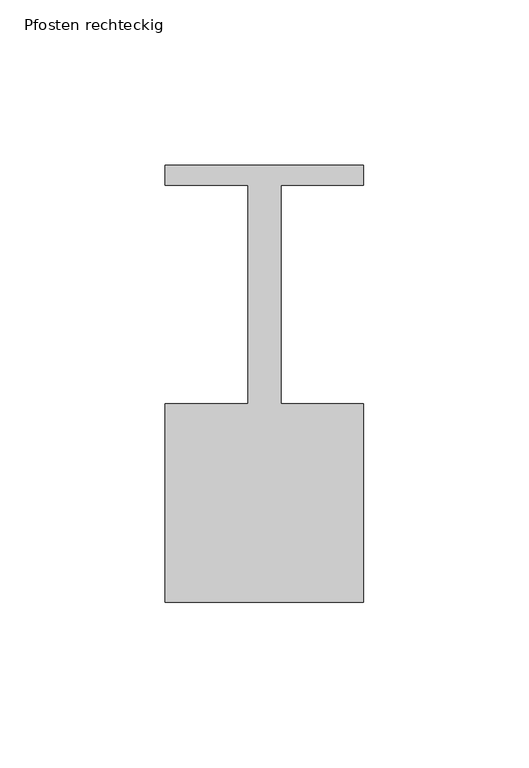
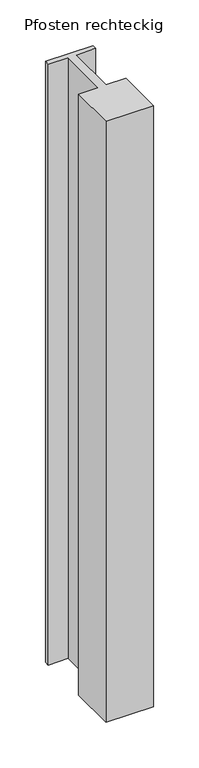
"""IFC4 building model written with IfcOpenShell, lengths in millimetres: member geometry, Pfosten rechteckig."""

from ifc_helpers import new_model, si_unit, frame, origin, place, context, project, spatial, polyline, outline, extrude, source, transform, mapped, element, save


def pfosten_rechteckig_d5c8cb07(model_context):
    return source(origin(), model_context, "Body", "SweptSolid", [
        extrude(outline(polyline([(30.0, 6.0), (30.0, 0.0), (5.0, 0.0), (5.0, -66.0), (30.0, -66.0), (30.0, -126.0), (-30.0, -126.0), (-30.0, -66.0), (-5.0, -66.0), (-5.0, 0.0), (-30.0, 0.0), (-30.0, 6.0), (30.0, 6.0)])), frame((0.0, 0.0, -802.0), z_axis=(0.0, 0.0, 1.0), x_axis=(1.0, 0.0, 0.0)), (0.0, 0.0, 1.0), 802.0),
    ])


if __name__ == "__main__":
    model = new_model("IFC4")
    model_context = context("Model", 3, world=origin())
    ifc_project = project(units=[si_unit("LENGTHUNIT", "METRE", prefix="MILLI")], contexts=[model_context])
    site = spatial("IfcSite", under=ifc_project)
    building = spatial("IfcBuilding", under=site)
    placement = place(None, origin())
    pfosten_rechteckig_shape = pfosten_rechteckig_d5c8cb07(model_context)
    element("IfcMember", 1, ObjectType="Pfosten rechteckig", at=placement, inside=building, context=model_context, shape_type="MappedRepresentation", body=[
        mapped(pfosten_rechteckig_shape, transform((0.0, 0.0, 0.0), x_axis=(1.0, 0.0, 0.0), y_axis=(0.0, 1.0, 0.0), z_axis=(0.0, 0.0, 1.0))),
    ])
    save(model, "model.ifc")
